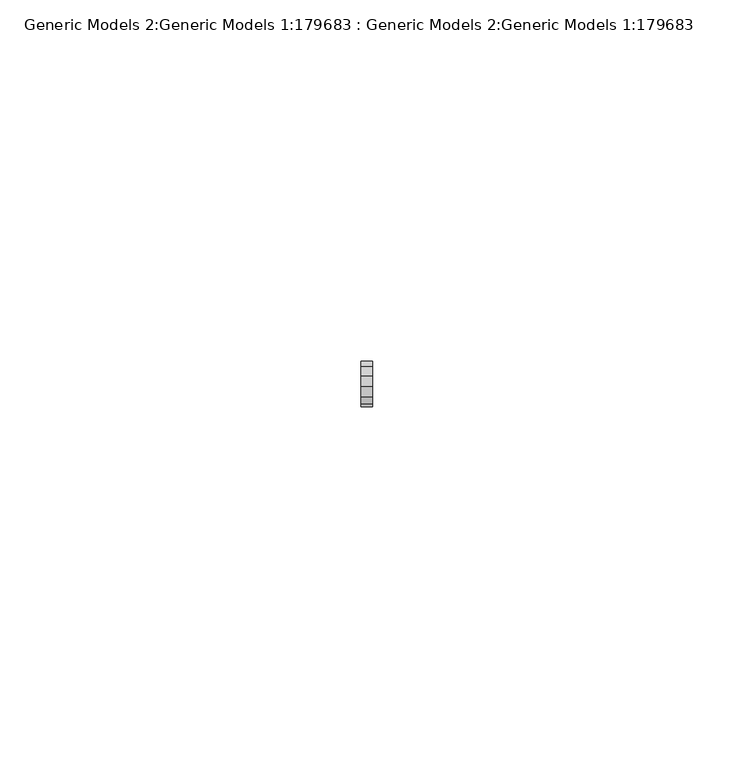
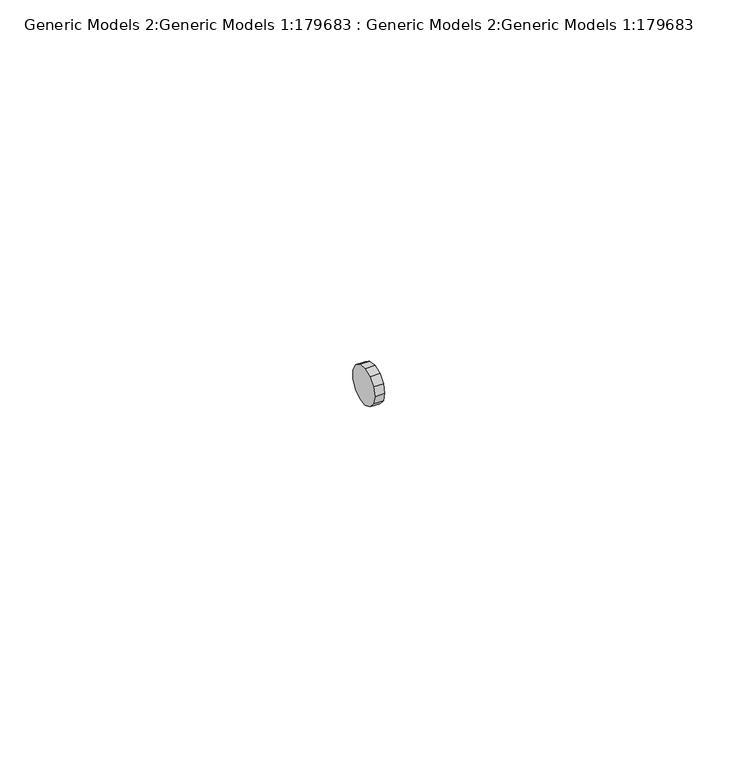
"""IFC4 building model written with IfcOpenShell, lengths in millimetres: proxy geometry, Generic Models 2:Generic Models 1:179683 : Generic Models 2:Generic Models 1:179683."""

from ifc_helpers import new_model, si_unit, frame, origin, place, context, project, spatial, polyline, outline, extrude, source, transform, mapped, element, save


def generic_models_2_generic_models_1_179683_generic_models_2_16c5adce(model_context):
    return source(origin(), model_context, "Body", "SweptSolid", [
        extrude(outline(polyline([(-24347.8069305, 5672.106266), (-24348.5126495, 5670.7606316), (-24349.7638702, 5669.8970795), (-24351.272583, 5669.713974), (-24352.6935577, 5670.2528), (-24353.7006378, 5671.3905334), (-24354.0649414, 5672.8658676), (-24353.7006378, 5674.3412018), (-24352.6935577, 5675.4789352), (-24351.272583, 5676.0177612), (-24349.7638702, 5675.8346558), (-24348.5126495, 5674.9711037), (-24347.8069305, 5673.6254692), (-24347.8069305, 5672.106266)])), frame((37830.1773071, 0.0, 0.0), z_axis=(1.0, 0.0, 0.0), x_axis=(0.0, 1.0, 0.0)), (0.0, 0.0, 1.0), 1.5869141),
    ])


if __name__ == "__main__":
    model = new_model("IFC4")
    model_context = context("Model", 3, world=origin())
    ifc_project = project(units=[si_unit("LENGTHUNIT", "METRE", prefix="MILLI")], contexts=[model_context])
    site = spatial("IfcSite", under=ifc_project)
    building = spatial("IfcBuilding", under=site)
    placement = place(None, origin())
    generic_models_2_generic_models_1_179683_generic_models_2_shape = generic_models_2_generic_models_1_179683_generic_models_2_16c5adce(model_context)
    element("IfcBuildingElementProxy", 1, Name="Generic Models 2:Generic Models 1:179683 : Generic Models 2:Generic Models 1:179683", ObjectType="Generic Models 2:Generic Models 1:179683 : Generic Models 2:Generic Models 1:179683", at=placement, inside=building, context=model_context, shape_type="MappedRepresentation", body=[
        mapped(generic_models_2_generic_models_1_179683_generic_models_2_shape, transform((0.0, 0.0, 0.0), x_axis=(1.0, 0.0, 0.0), y_axis=(0.0, 1.0, 0.0), z_axis=(0.0, 0.0, 1.0))),
    ])
    save(model, "model.ifc")
